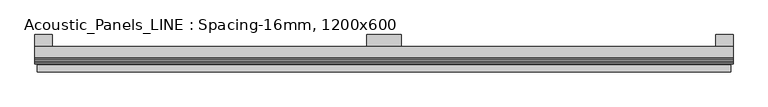
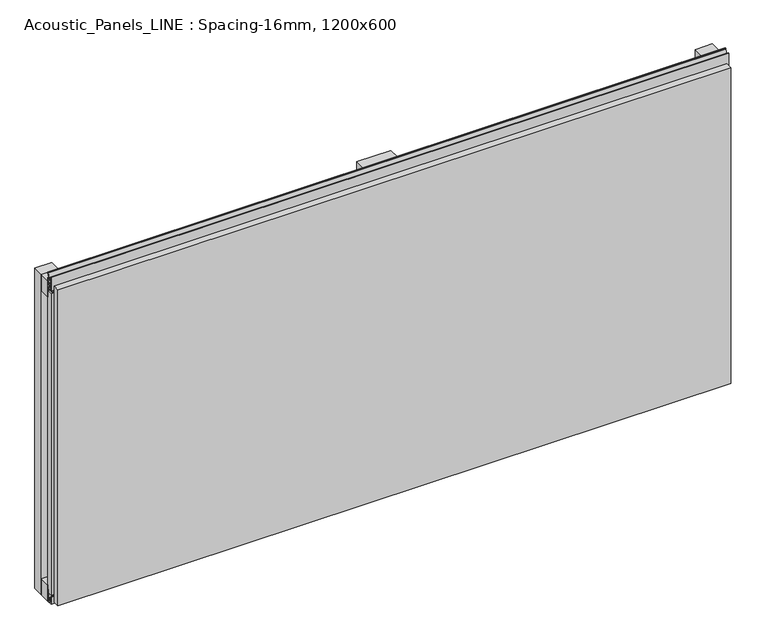
"""IFC4 building model written with IfcOpenShell, lengths in millimetres: plate geometry, Acoustic_Panels_LINE : Spacing-16mm, 1200x600."""

from ifc_helpers import new_model, si_unit, frame, origin, origin_with_axes, place, context, project, spatial, polyline, outline, extrude, faceted_brep, source, transform, mapped, element, save


def acoustic_panels_line_spacing_16mm_1200x600_d7774ad4(model_context):
    return source(origin(), model_context, "Body", "SolidModel", [
        extrude(outline(polyline([(-600.0, -40.0), (-600.0, -20.0), (600.0, -20.0), (600.0, -40.0), (-600.0, -40.0)])), frame((0.0, 0.0, 570.0), z_axis=(0.0, 0.0, 1.0), x_axis=(1.0, 0.0, 0.0)), (0.0, 0.0, 1.0), 30.0),
        extrude(outline(polyline([(-600.0, -40.0), (-600.0, -20.0), (600.0, -20.0), (600.0, -40.0), (-600.0, -40.0)])), origin_with_axes(), (0.0, 0.0, 1.0), 30.0),
        extrude(outline(polyline([(570.0, 0.0), (600.0, 0.0), (600.0, -20.0), (570.0, -20.0), (570.0, 0.0)])), origin_with_axes(), (0.0, 0.0, 1.0), 600.0),
        extrude(outline(polyline([(30.0, 0.0), (30.0, -20.0), (-30.0, -20.0), (-30.0, 0.0), (30.0, 0.0)])), origin_with_axes(), (0.0, 0.0, 1.0), 600.0),
        extrude(outline(polyline([(-570.0, 0.0), (-570.0, -20.0), (-600.0, -20.0), (-600.0, 0.0), (-570.0, 0.0)])), origin_with_axes(), (0.0, 0.0, 1.0), 600.0),
        extrude(outline(polyline([(-40.0, 6.299084), (-40.0, 0.0), (-50.1, 0.0), (-50.1, 13.4156807), (-48.7, 13.4156807), (-48.7, 1.4156807), (-41.4, 1.4156807), (-41.4, 4.899084), (-45.5140545, 4.899084), (-41.4553267, 15.5703394), (-41.4553267, 22.991548), (-40.0553267, 22.991548), (-40.0553267, 15.3558599), (-43.5, 6.299084), (-40.0, 6.299084)])), frame((-600.0, 0.0, 0.0), z_axis=(1.0, 0.0, 0.0), x_axis=(0.0, 1.0, 0.0)), (0.0, 0.0, 1.0), 1200.0),
        extrude(outline(polyline([(-593.700916, -40.0), (-593.700916, -43.5), (-584.6441401, -40.0553267), (-577.008452, -40.0553267), (-577.008452, -41.4553267), (-584.4296606, -41.4553267), (-595.100916, -45.5140545), (-595.100916, -41.4), (-598.5843193, -41.4), (-598.5843193, -48.7), (-586.5843193, -48.7), (-586.5843193, -50.1), (-600.0, -50.1), (-600.0, -40.0), (-593.700916, -40.0)])), frame((0.0, 0.0, 16.9558599), z_axis=(0.0, 0.0, 1.0), x_axis=(1.0, 0.0, 0.0)), (0.0, 0.0, 1.0), 566.0882802),
        extrude(outline(polyline([(593.700916, -40.0), (600.0, -40.0), (600.0, -50.1), (586.5843193, -50.1), (586.5843193, -48.7), (598.5843193, -48.7), (598.5843193, -41.4), (595.100916, -41.4), (595.100916, -45.5140545), (584.4296606, -41.4553267), (577.008452, -41.4553267), (577.008452, -40.0553267), (584.6441401, -40.0553267), (593.700916, -43.5), (593.700916, -40.0)])), frame((0.0, 0.0, 16.9558599), z_axis=(0.0, 0.0, 1.0), x_axis=(1.0, 0.0, 0.0)), (0.0, 0.0, 1.0), 566.0882802),
        extrude(outline(polyline([(-48.7, 600.899084), (-41.4, 600.899084), (-41.4, 604.899084), (-45.5140545, 604.899084), (-41.4553267, 615.5703394), (-41.4553267, 616.9558599), (-40.0553267, 616.9558599), (-40.0553267, 615.3558599), (-43.5, 606.299084), (-40.0, 606.299084), (-40.0, 593.700916), (-43.5, 593.700916), (-40.0553267, 584.6441401), (-40.0553267, 583.0441401), (-41.4553267, 583.0441401), (-41.4553267, 584.4296606), (-45.5140545, 595.100916), (-41.4, 595.100916), (-41.4, 599.100916), (-48.7, 599.100916), (-48.7, 587.100916), (-50.1, 587.100916), (-50.1, 612.899084), (-48.7, 612.899084), (-48.7, 600.899084)])), frame((-600.0, 0.0, 0.0), z_axis=(1.0, 0.0, 0.0), x_axis=(0.0, 1.0, 0.0)), (0.0, 0.0, 1.0), 1200.0),
        faceted_brep([(596.0, -45.9, 596.0), (-596.0, -45.9, 596.0), (-596.0, -48.7, 596.0), (596.0, -48.7, 596.0), (-596.0, -63.9, 596.0), (596.0, -63.9, 596.0), (596.0, -51.9, 596.0), (-596.0, -51.9, 596.0), (-596.0, -45.9, 4.0), (596.0, -45.9, 4.0), (596.0, -48.7, 4.0), (-596.0, -48.7, 4.0), (596.0, -63.9, 4.0), (-596.0, -63.9, 4.0), (-596.0, -51.9, 4.0), (596.0, -51.9, 4.0), (584.0, -51.9, 584.0), (584.0, -51.9, 16.0), (584.0, -48.7, 16.0), (584.0, -48.7, 584.0), (-584.0, -51.9, 16.0), (-584.0, -48.7, 16.0), (-584.0, -51.9, 584.0), (-584.0, -48.7, 584.0)], [[[0, 1, 2, 3]], [[4, 5, 6, 7]], [[8, 9, 10, 11]], [[12, 13, 14, 15]], [[1, 0, 9, 8]], [[1, 8, 11, 2]], [[13, 4, 7, 14]], [[5, 4, 13, 12]], [[9, 0, 3, 10]], [[5, 12, 15, 6]], [[16, 17, 18, 19]], [[18, 17, 20, 21]], [[21, 20, 22, 23]], [[16, 19, 23, 22]], [[7, 6, 15, 14], [17, 16, 22, 20]], [[3, 2, 11, 10], [19, 18, 21, 23]]]),
    ])


if __name__ == "__main__":
    model = new_model("IFC4")
    model_context = context("Model", 3, world=origin())
    ifc_project = project(units=[si_unit("LENGTHUNIT", "METRE", prefix="MILLI")], contexts=[model_context])
    site = spatial("IfcSite", under=ifc_project)
    building = spatial("IfcBuilding", under=site)
    placement = place(None, origin())
    acoustic_panels_line_spacing_16mm_1200x600_shape = acoustic_panels_line_spacing_16mm_1200x600_d7774ad4(model_context)
    element("IfcPlate", 1, ObjectType="Acoustic_Panels_LINE : Spacing-16mm, 1200x600", at=placement, inside=building, context=model_context, shape_type="MappedRepresentation", body=[
        mapped(acoustic_panels_line_spacing_16mm_1200x600_shape, transform((0.0, 0.0, 0.0), x_axis=(1.0, 0.0, 0.0), y_axis=(0.0, 1.0, 0.0), z_axis=(0.0, 0.0, 1.0))),
    ])
    save(model, "model.ifc")
